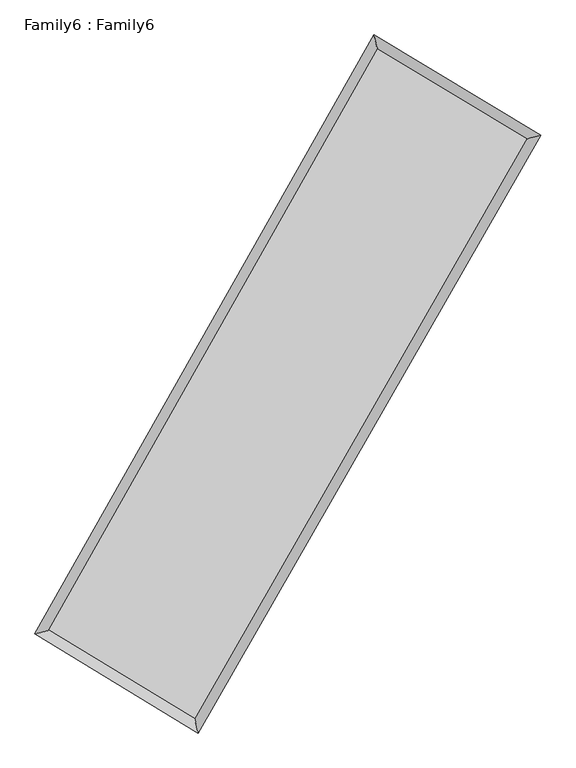
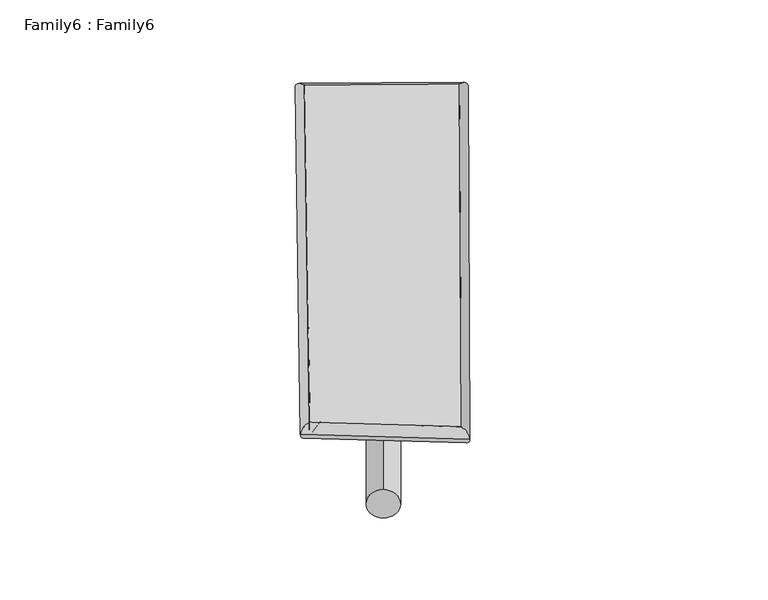
"""IFC4 building model written with IfcOpenShell, lengths in millimetres: plate geometry, Family6 : Family6."""

from ifc_helpers import new_model, si_unit, point, frame, origin, origin_2d, place, context, project, spatial, circle_curve, ellipse_curve, trimmed, segment, composite_curve, outline, extrude, source, transform, mapped, element, save
from ifc_brep_helpers import plane_surface, cylinder_surface, spline_surface, advanced_brep


def family6_family6_f36400c8(model_context):
    return source(origin(), model_context, "Body", "SolidModel", [
        extrude(outline(composite_curve([segment(trimmed(circle_curve(origin_2d(), 76.2), [point((-75.4341514, -10.7763074))], [point((75.4341514, 10.7763074))], False, "CARTESIAN"), True, "CONTINUOUS"), segment(trimmed(circle_curve(origin_2d(), 76.2), [point((75.4341514, 10.7763074))], [point((-75.4341514, -10.7763074))], False, "CARTESIAN"), True, "CONTINUOUS")], self_intersect=False)), frame((9144.0, 9144.0, 0.0), z_axis=(0.6723880184935959, 0.6857368545517548, 0.2786742164171658), x_axis=(-0.6783654750073647, 0.7215179013204683, -0.1386802090860099)), (0.0, 0.0, 1.0), 5559.8908873),
        extrude(outline(composite_curve([segment(trimmed(circle_curve(origin_2d(), 76.2), [point((-53.8815367, 53.8815367))], [point((53.8815367, -53.8815367))], False, "CARTESIAN"), True, "CONTINUOUS"), segment(trimmed(circle_curve(origin_2d(), 76.2), [point((53.8815367, -53.8815367))], [point((-53.8815367, 53.8815367))], False, "CARTESIAN"), True, "CONTINUOUS")], self_intersect=False)), frame((9144.0, 9144.0, 0.0), z_axis=(-0.6688160547212909, -0.6889601874855696, 0.27931871581921647), x_axis=(0.6466096041988755, -0.3536929321969474, 0.6758678343224356)), (0.0, 0.0, 1.0), 5548.0061046),
        extrude(outline(composite_curve([segment(trimmed(circle_curve(origin_2d(), 76.2), [point((-53.8815367, -53.8815367))], [point((53.8815367, 53.8815367))], False, "CARTESIAN"), True, "CONTINUOUS"), segment(trimmed(circle_curve(origin_2d(), 76.2), [point((53.8815367, 53.8815367))], [point((-53.8815367, -53.8815367))], False, "CARTESIAN"), True, "CONTINUOUS")], self_intersect=False)), frame((9144.0, 9144.0, 0.0), z_axis=(0.25097261966484724, 0.9304415505507586, 0.2670042418900201), x_axis=(-0.8433698745745479, 0.3455653600538279, -0.411475195596259)), (0.0, 0.0, 1.0), 5602.192433),
        extrude(outline(composite_curve([segment(trimmed(circle_curve(origin_2d(), 76.2), [point((-75.4341514, 10.7763074))], [point((75.4341514, -10.7763074))], False, "CARTESIAN"), True, "CONTINUOUS"), segment(trimmed(circle_curve(origin_2d(), 76.2), [point((75.4341514, -10.7763074))], [point((-75.4341514, 10.7763074))], False, "CARTESIAN"), True, "CONTINUOUS")], self_intersect=False)), frame((9144.0, 9144.0, 0.0), z_axis=(-0.25561133978418427, -0.929180891544516, 0.2669938459258425), x_axis=(0.8848050646879725, -0.1135493295786681, 0.4519143140626859)), (0.0, 0.0, 1.0), 5600.5605545),
        advanced_brep(
        [(5228.0280274, 5268.1125144, 1545.7843102), (5227.9527364, 5267.993748, 1554.838118), (5638.7808637, 5375.1768337, 1553.5395707), (10605.5340504, 14145.4588986, 1501.2638515), (10494.4597712, 14567.5663291, 1490.3544355), (5638.8561548, 5375.2956001, 1544.4857629), (12675.894797, 12902.8463266, 1548.8322001), (13088.9132365, 13010.3978508, 1549.9642726), (7657.8928655, 4151.3278306, 1496.338911), (7766.9735607, 3728.804471, 1494.2914925)],
        [
            (0, 1, ellipse_curve(frame((5433.4044456, 5321.644674, 1549.6619405), z_axis=(-0.2523996042623448, 0.9675650981774538, 0.010593420461111943), x_axis=(-0.9674072333745087, -0.2525594088997042, 0.018357281686316534)), 212.4079975, 152.4)),
            (1, 2, ellipse_curve(frame((5433.4044456, 5321.644674, 1549.6619405), z_axis=(-0.2523996042623448, 0.9675650981774538, 0.010593420461111943), x_axis=(-0.9674072333745087, -0.2525594088997042, 0.018357281686316534)), 212.4079975, 152.4)),
            (2, 3),
            (3, 4, ellipse_curve(frame((10549.9969108, 14356.5126139, 1495.8091435), z_axis=(-0.9669599112928748, -0.2547165579947243, -0.010392547127426707), x_axis=(0.25451722388273784, -0.9669121306822465, 0.01737568089435928)), 218.3133167, 152.4)),
            (4, 0),
            (2, 5, ellipse_curve(frame((5433.4044456, 5321.644674, 1549.6619405), z_axis=(-0.2523996042623448, 0.9675650981774538, 0.010593420461111943), x_axis=(-0.9674072333745087, -0.2525594088997042, 0.018357281686316534)), 212.4079975, 152.4)),
            (5, 0, ellipse_curve(frame((5433.4044456, 5321.644674, 1549.6619405), z_axis=(-0.2523996042623448, 0.9675650981774538, 0.010593420461111943), x_axis=(-0.9674072333745087, -0.2525594088997042, 0.018357281686316534)), 212.4079975, 152.4)),
            (4, 3, ellipse_curve(frame((10549.9969108, 14356.5126139, 1495.8091435), z_axis=(-0.9669599112928748, -0.2547165579947243, -0.010392547127426707), x_axis=(0.25451722388273784, -0.9669121306822465, 0.01737568089435928)), 218.3133167, 152.4)),
            (3, 6),
            (6, 7, ellipse_curve(frame((12882.4040167, 12956.6220887, 1549.3982364), z_axis=(-0.25196073159614835, 0.9676842523057131, -0.010147786609228255), x_axis=(-0.9675355467782374, -0.25210850622941566, -0.017783891793134506)), 213.4203205, 152.4)),
            (7, 4),
            (7, 6, ellipse_curve(frame((12882.4040167, 12956.6220887, 1549.3982364), z_axis=(-0.25196073159614835, 0.9676842523057131, -0.010147786609228255), x_axis=(-0.9675355467782374, -0.25210850622941566, -0.017783891793134506)), 213.4203205, 152.4)),
            (6, 8),
            (8, 9, ellipse_curve(frame((7712.4332131, 3940.0661508, 1495.3152018), z_axis=(0.968183842777487, 0.25000374823346627, -0.010870715424300584), x_axis=(-0.24979036517323347, 0.9681348739534688, 0.01787845915407154)), 218.2106549, 152.4)),
            (9, 7),
            (9, 8, ellipse_curve(frame((7712.4332131, 3940.0661508, 1495.3152018), z_axis=(0.968183842777487, 0.25000374823346627, -0.010870715424300584), x_axis=(-0.24979036517323347, 0.9681348739534688, 0.01787845915407154)), 218.2106549, 152.4)),
            (8, 5),
            (1, 9),
        ],
        [
            cylinder_surface(frame((5433.4044456, 5321.644674, 1549.6619405), z_axis=(-0.49277511911639393, -0.8701412425412708, 0.005186521816909319), x_axis=(-0.8698267234194124, 0.4924153686568734, -0.030472543969362366)), 152.4),
            cylinder_surface(frame((10549.9969108, 14356.5126139, 1495.8091435), z_axis=(-0.8572542122299351, 0.5145165465673935, -0.01969616516982344), x_axis=(0.5148171509245711, 0.8571582267654502, -0.01559087560776255)), 152.4),
            cylinder_surface(frame((12882.4040167, 12956.6220887, 1549.3982364), z_axis=(0.4974120434606928, 0.8674988088716418, 0.005203424501308922), x_axis=(0.8675133072083541, -0.4974120434606928, -0.001385942524779077)), 152.4),
            cylinder_surface(frame((7712.4332131, 3940.0661508, 1495.3152018), z_axis=(0.8549620437178767, -0.5182897270111853, -0.020387807052810788), x_axis=(-0.5180982714286662, -0.8552036868960795, 0.014171628769499085)), 152.4),
        ],
        [
            (0, [[1, 2, 3, 4, 5]]),
            (0, [[6, 7, -5, 8, -3]]),
            (1, [[-4, 9, 10, 11]]),
            (1, [[-8, -11, 12, -9]]),
            (2, [[-10, 13, 14, 15]]),
            (2, [[-12, -15, 16, -13]]),
            (3, [[-14, 17, -6, -2, 18]]),
            (3, [[-16, -18, -1, -7, -17]]),
        ],
    ),
        extrude(outline(composite_curve([segment(trimmed(circle_curve(origin_2d(), 304.8), [point((-1e-07, 304.8))], [point((-1e-07, -304.8))], False, "CARTESIAN"), True, "CONTINUOUS"), segment(trimmed(circle_curve(origin_2d(), 304.8), [point((-1e-07, -304.8))], [point((-1e-07, 304.8))], False, "CARTESIAN"), True, "CONTINUOUS")], self_intersect=False)), frame((11751.8132784, 13657.7588998, -0.0223862), z_axis=(-0.5002579939707567, -0.865876399637912, 4.294362346101698e-06), x_axis=(-0.8658763996477955, 0.5002579939707565, -1.1513565920343273e-06)), (0.0, 0.0, 1.0), 10425.8734888),
        advanced_brep(
        [(5433.4044456, 5321.644674, 1549.6619405), (7712.4332131, 3940.0661508, 1495.3152018), (7712.4233993, 3940.0692777, 1647.7152014), (5433.3946318, 5321.6478009, 1702.0619401), (12882.4040167, 12956.6220887, 1549.3982364), (12882.394203, 12956.6252156, 1701.798236), (10549.9969108, 14356.5126139, 1495.8091435), (10549.987097, 14356.5157408, 1648.2091431)],
        [
            (0, 1),
            (1, 2),
            (2, 3),
            (3, 0),
            (1, 4),
            (4, 5),
            (5, 2),
            (4, 6),
            (6, 7),
            (7, 5),
            (6, 0),
            (3, 7),
        ],
        [
            plane_surface(frame((6572.9188293, 4630.8554124, 1522.4885711), z_axis=(-0.5183977535448234, -0.8551396195177039, -1.583658107246269e-05), x_axis=(0.854962043717877, -0.5182897270111848, -0.020387807052810798))),
            plane_surface(frame((10297.4186149, 8448.3441198, 1522.3567191), z_axis=(0.8675103802458313, -0.49741907462481366, 6.606910866396518e-05), x_axis=(0.49741204346069257, 0.8674988088716418, 0.005203424501308919))),
            plane_surface(frame((11716.2004638, 13656.5673513, 1522.6036899), z_axis=(0.5146161134546825, 0.8574206992667669, 1.554626035807881e-05), x_axis=(-0.8572542122299351, 0.5145165465673934, -0.019696165169823435))),
            plane_surface(frame((7991.7006782, 9839.0786439, 1522.735542), z_axis=(-0.8701531133322856, 0.4927814474826381, -6.614413326008544e-05), x_axis=(-0.49277511911639454, -0.8701412425412703, 0.00518652181690931))),
            spline_surface(1, 1, [[(7712.4233993, 3940.0692777, 1647.7152014), (5433.3946318, 5321.6478009, 1702.0619401)], [(12882.394203, 12956.6252156, 1701.798236), (10549.987097, 14356.5157408, 1648.2091431)]], [2, 2], [2, 2], [0.0, 1.0], [0.0, 1.0]),
            spline_surface(1, 1, [[(10549.9969108, 14356.5126139, 1495.8091435), (5433.4044456, 5321.644674, 1549.6619405)], [(12882.4040167, 12956.6220887, 1549.3982364), (7712.4332131, 3940.0661508, 1495.3152018)]], [2, 2], [2, 2], [0.0, 1.0], [0.0, 1.0]),
        ],
        [
            (0, [[1, 2, 3, 4]]),
            (1, [[5, 6, 7, -2]]),
            (2, [[8, 9, 10, -6]]),
            (3, [[11, -4, 12, -9]]),
            (4, [[-3, -7, -10, -12]]),
            (5, [[-11, -8, -5, -1]]),
        ],
    ),
    ])


if __name__ == "__main__":
    model = new_model("IFC4")
    model_context = context("Model", 3, world=origin())
    ifc_project = project(units=[si_unit("LENGTHUNIT", "METRE", prefix="MILLI")], contexts=[model_context])
    site = spatial("IfcSite", under=ifc_project)
    building = spatial("IfcBuilding", under=site)
    placement = place(None, origin())
    family6_family6_shape = family6_family6_f36400c8(model_context)
    element("IfcPlate", 1, ObjectType="Family6 : Family6", at=placement, inside=building, context=model_context, shape_type="MappedRepresentation", body=[
        mapped(family6_family6_shape, transform((0.0, 0.0, 0.0), x_axis=(1.0, 0.0, 0.0), y_axis=(0.0, 1.0, 0.0), z_axis=(0.0, 0.0, 1.0))),
    ])
    save(model, "model.ifc")
